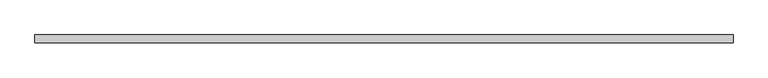
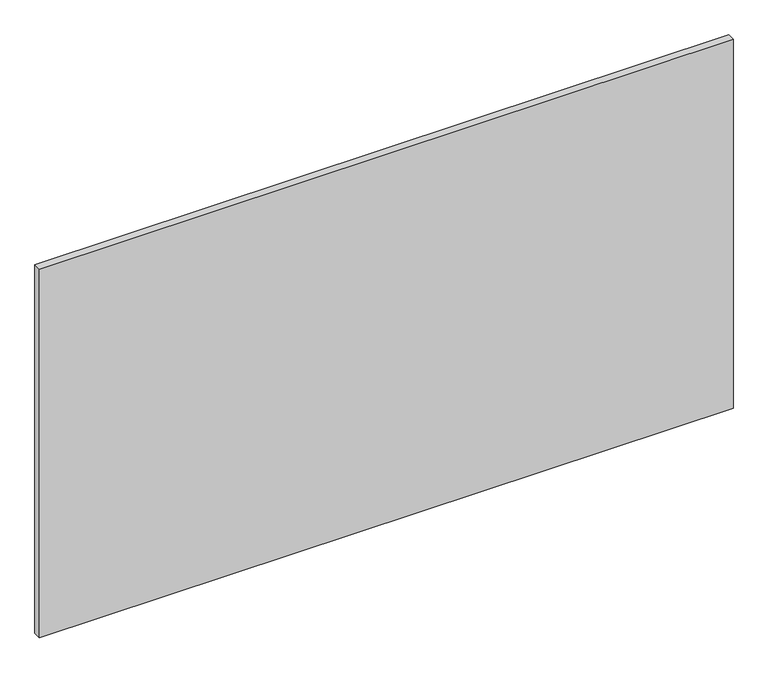
"""IFC4 building model written with IfcOpenShell, lengths in millimetres: plate geometry."""

from ifc_helpers import new_model, si_unit, origin, origin_with_axes, place, context, project, spatial, polyline, outline, extrude, source, transform, mapped, element, save


def plate_95fe0c5c(model_context):
    return source(origin(), model_context, "Body", "SweptSolid", [
        extrude(outline(polyline([(616.65, -40.2), (-616.65, -40.2), (-616.65, -26.2), (616.65, -26.2), (616.65, -40.2)])), origin_with_axes(), (0.0, 0.0, 1.0), 693.2),
    ])


if __name__ == "__main__":
    model = new_model("IFC4")
    model_context = context("Model", 3, world=origin())
    ifc_project = project(units=[si_unit("LENGTHUNIT", "METRE", prefix="MILLI")], contexts=[model_context])
    site = spatial("IfcSite", under=ifc_project)
    building = spatial("IfcBuilding", under=site)
    placement = place(None, origin())
    plate_shape = plate_95fe0c5c(model_context)
    element("IfcPlate", 1, at=placement, inside=building, context=model_context, shape_type="MappedRepresentation", body=[
        mapped(plate_shape, transform((0.0, 0.0, 0.0), x_axis=(1.0, 0.0, 0.0), y_axis=(0.0, 1.0, 0.0), z_axis=(0.0, 0.0, 1.0))),
    ])
    save(model, "model.ifc")
